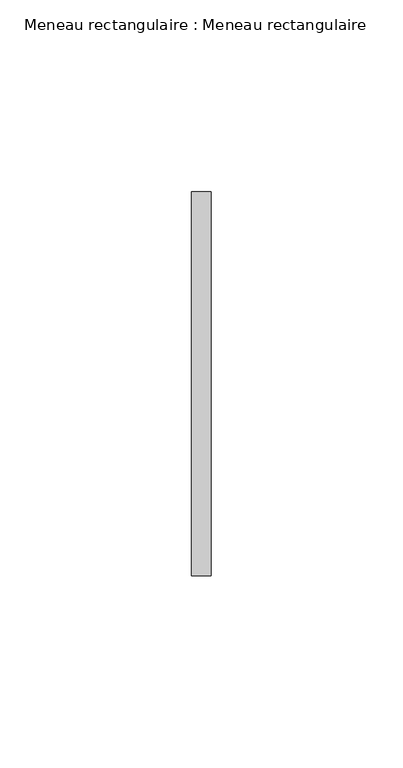
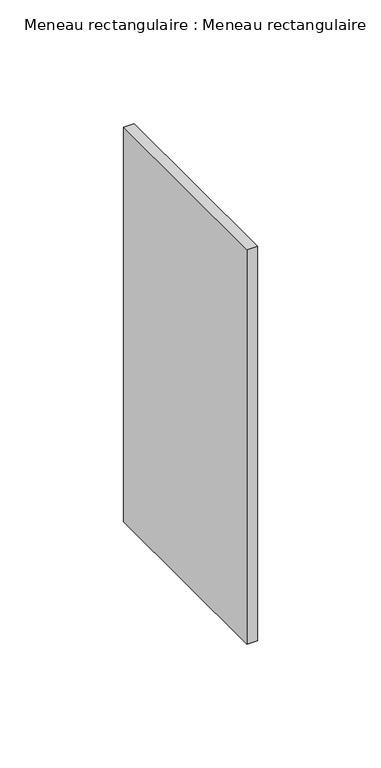
"""IFC4 building model written with IfcOpenShell, lengths in millimetres: member geometry, Meneau rectangulaire : Meneau rectangulaire."""

import ifcopenshell
import ifcopenshell.guid

model = None  # the IFC model being written
_history = None  # IfcOwnerHistory: only IFC2X3 demands one
_inside = {}  # id of a spatial element -> (the spatial element, [elements in it])
_under = {}  # id of a project, library or spatial element -> (it, [spatial elements below it])
_declared = {}  # id of a project -> (the project, [libraries it declares])
_typed = {}  # id of a type object -> (the type object, [elements of that type])
_made_of = {}  # id of a material, layer set ... -> (it, [elements and type objects made of it])


def new_model(schema):
    """Start an empty IFC model of exactly this schema.

    Asked for "IFC4X3", IfcOpenShell would pick the latest addendum, in which some entities
    have other attributes; the version numbers below select the first issue.
    IFC2X3 requires an IfcOwnerHistory on every rooted entity: one is made here for all.
    """
    global model, _history
    if schema == "IFC4X3":
        model = ifcopenshell.file(schema_version=(4, 3, 0, 0))
    else:
        model = ifcopenshell.file(schema=schema)
    _inside.clear()
    _under.clear()
    _declared.clear()
    _typed.clear()
    _made_of.clear()
    _history = None
    if model.schema == "IFC2X3":
        org = make("IfcOrganization", Name="unknown")
        user = make(
            "IfcPersonAndOrganization",
            ThePerson=make("IfcPerson", FamilyName="unknown"),
            TheOrganization=org,
        )
        app = make(
            "IfcApplication",
            ApplicationDeveloper=org,
            Version="unknown",
            ApplicationFullName="unknown",
            ApplicationIdentifier="unknown",
        )
        _history = make(
            "IfcOwnerHistory",
            OwningUser=user,
            OwningApplication=app,
            ChangeAction="ADDED",
            CreationDate=0,
        )
    return model


def make(cls, **values):
    """One entity of the class cls with the attributes given. An attribute that is None is left unset."""
    return model.create_entity(
        cls, **{name: value for name, value in values.items() if value is not None}
    )


def rooted(cls, **values):
    """An entity with a GlobalId (a new one), such as an element, a storey or a relation."""
    return make(cls, GlobalId=ifcopenshell.guid.new(), OwnerHistory=_history, **values)


def si_unit(unit_type, name, prefix=None):
    """IfcSIUnit, for example si_unit("LENGTHUNIT", "METRE", prefix="MILLI")."""
    return make("IfcSIUnit", UnitType=unit_type, Prefix=prefix, Name=name)


def assignment(units):
    """IfcUnitAssignment: the units of a project."""
    return None if units is None else make("IfcUnitAssignment", Units=units)


def point(xyz):
    """IfcCartesianPoint."""
    return None if xyz is None else make("IfcCartesianPoint", Coordinates=xyz)


def direction(xyz):
    """IfcDirection."""
    return None if xyz is None else make("IfcDirection", DirectionRatios=xyz)


def frame(location, z_axis=None, x_axis=None):
    """IfcAxis2Placement3D, a coordinate frame: its origin and axes. An axis left out is left unset."""
    return make(
        "IfcAxis2Placement3D",
        Location=point(location),
        Axis=direction(z_axis),
        RefDirection=direction(x_axis),
    )


def origin():
    """The frame at (0, 0, 0) with its axes left unset."""
    return frame((0.0, 0.0, 0.0))


def place(relative_to, where):
    """IfcLocalPlacement: puts the frame where relative to a parent placement (None: the world)."""
    return make(
        "IfcLocalPlacement", PlacementRelTo=relative_to, RelativePlacement=where
    )


def context(
    kind, dimensions, precision=None, world=None, true_north=None, identifier=None
):
    """IfcGeometricRepresentationContext, for example the 3D "Model" context."""
    return make(
        "IfcGeometricRepresentationContext",
        ContextIdentifier=identifier,
        ContextType=kind,
        CoordinateSpaceDimension=dimensions,
        Precision=precision,
        WorldCoordinateSystem=world,
        TrueNorth=true_north,
    )


def project(units=None, contexts=None):
    """IfcProject with its units and contexts."""
    return rooted(
        "IfcProject",
        Name="project",
        RepresentationContexts=contexts,
        UnitsInContext=assignment(units),
    )


def spatial(cls, under=None, at=None, **own):
    """A site, building, storey or space (cls), placed at a placement, below another one or the project."""
    s = rooted(cls, ObjectPlacement=at, **own)
    if under is not None:
        _under.setdefault(under.id(), (under, []))[1].append(s)
    return s


def polyline(points):
    """IfcPolyline through the points."""
    return make("IfcPolyline", Points=[point(p) for p in points])


def outline(outer, holes=None, kind="AREA"):
    """IfcArbitraryClosedProfileDef: a profile drawn as a closed curve; with holes, ...WithVoids."""
    if holes is None:
        return make("IfcArbitraryClosedProfileDef", ProfileType=kind, OuterCurve=outer)
    return make(
        "IfcArbitraryProfileDefWithVoids",
        ProfileType=kind,
        OuterCurve=outer,
        InnerCurves=holes,
    )


def extrude(swept, where, along, depth):
    """IfcExtrudedAreaSolid: the profile swept, set in the frame where, extruded along a direction by depth."""
    return make(
        "IfcExtrudedAreaSolid",
        SweptArea=swept,
        Position=where,
        ExtrudedDirection=direction(along),
        Depth=depth,
    )


def shape(context_of_items, identifier, shape_type, items):
    """IfcShapeRepresentation: the items that make up one representation, for example the "Body"."""
    return make(
        "IfcShapeRepresentation",
        ContextOfItems=context_of_items,
        RepresentationIdentifier=identifier,
        RepresentationType=shape_type,
        Items=items,
    )


def source(mapping_origin, context_of_items, identifier, shape_type, items):
    """IfcRepresentationMap: a shape defined once, which mapped items show again and again."""
    return make(
        "IfcRepresentationMap",
        MappingOrigin=mapping_origin,
        MappedRepresentation=shape(context_of_items, identifier, shape_type, items),
    )


def transform(
    local_origin,
    x_axis=None,
    y_axis=None,
    z_axis=None,
    scale=None,
    scale2=None,
    scale3=None,
    uniform=True,
):
    """IfcCartesianTransformationOperator3D, or its non-uniform kind. x_axis, y_axis, z_axis: its Axis1, 2, 3."""
    if uniform:
        return make(
            "IfcCartesianTransformationOperator3D",
            Axis1=direction(x_axis),
            Axis2=direction(y_axis),
            LocalOrigin=point(local_origin),
            Scale=scale,
            Axis3=direction(z_axis),
        )
    return make(
        "IfcCartesianTransformationOperator3DnonUniform",
        Axis1=direction(x_axis),
        Axis2=direction(y_axis),
        LocalOrigin=point(local_origin),
        Scale=scale,
        Axis3=direction(z_axis),
        Scale2=scale2,
        Scale3=scale3,
    )


def mapped(mapping_source, mapping_target):
    """IfcMappedItem: shows the shape of a source again, moved by a transform."""
    return make(
        "IfcMappedItem", MappingSource=mapping_source, MappingTarget=mapping_target
    )


def made_of(thing, what):
    """Note that an element or type object is made of a material, layer set ...; save() writes the relation."""
    if what is not None:
        _made_of.setdefault(what.id(), (what, []))[1].append(thing)
    return thing


def element(
    cls,
    number,
    at=None,
    inside=None,
    cuts=None,
    type_object=None,
    material=None,
    context=None,
    identifier="Body",
    shape_type=None,
    held_by="IfcProductDefinitionShape",
    body=None,
    shapes=None,
    **own,
):
    """One element of the class cls, such as IfcWall. Its Tag is "e" and its number.

    at: its placement. inside: the storey or other place that contains it. cuts: it is an
    opening in that element (IfcRelVoidsElement). A single representation is given by context,
    identifier, shape_type and body (its items); several are given by shapes. held_by: the class
    of the entity that holds the representations. save() writes the other relations.
    """
    e = rooted(cls, Tag="e%d" % number, ObjectPlacement=at, **own)
    if body is not None:
        shapes = [shape(context, identifier, shape_type, body)]
    if shapes is not None:
        e.Representation = make(held_by, Representations=shapes)
    if inside is not None:
        _inside.setdefault(inside.id(), (inside, []))[1].append(e)
    if cuts is not None:
        rooted(
            "IfcRelVoidsElement", RelatingBuildingElement=cuts, RelatedOpeningElement=e
        )
    if type_object is not None:
        _typed.setdefault(type_object.id(), (type_object, []))[1].append(e)
    return made_of(e, material)


def aggregate(whole, parts):
    """IfcRelAggregates: a whole, such as a stair, and the parts it consists of."""
    return rooted("IfcRelAggregates", RelatingObject=whole, RelatedObjects=parts)


def save(model, path):
    """Write the relations noted so far, then the file.

    IfcRelAggregates (storeys below a building ...), IfcRelContainedInSpatialStructure (elements
    in a storey), IfcRelDefinesByType, IfcRelAssociatesMaterial and IfcRelDeclares: one each for
    every whole, place, type object, material and project.
    """
    for whole, parts in _under.values():
        aggregate(whole, parts)
    for where, things in _inside.values():
        rooted(
            "IfcRelContainedInSpatialStructure",
            RelatedElements=things,
            RelatingStructure=where,
        )
    for kind, things in _typed.values():
        rooted("IfcRelDefinesByType", RelatedObjects=things, RelatingType=kind)
    for what, things in _made_of.values():
        rooted("IfcRelAssociatesMaterial", RelatedObjects=things, RelatingMaterial=what)
    for by, libraries in _declared.values():
        rooted("IfcRelDeclares", RelatingContext=by, RelatedDefinitions=libraries)
    model.write(path)


def meneau_rectangulaire_meneau_rectangulaire_21570fdd(model_context):
    return source(origin(), model_context, "Body", "SweptSolid", [
        extrude(outline(polyline([(2.5, 0.0), (-2.5, 0.0), (-2.5, 100.0), (2.5, 100.0), (2.5, 0.0)])), frame((0.0, 0.0, -195.0), z_axis=(0.0, 0.0, 1.0), x_axis=(1.0, 0.0, 0.0)), (0.0, 0.0, 1.0), 195.0),
    ])


if __name__ == "__main__":
    model = new_model("IFC4")
    model_context = context("Model", 3, world=origin())
    ifc_project = project(units=[si_unit("LENGTHUNIT", "METRE", prefix="MILLI")], contexts=[model_context])
    site = spatial("IfcSite", under=ifc_project)
    building = spatial("IfcBuilding", under=site)
    placement = place(None, origin())
    meneau_rectangulaire_meneau_rectangulaire_shape = meneau_rectangulaire_meneau_rectangulaire_21570fdd(model_context)
    element("IfcMember", 1, ObjectType="Meneau rectangulaire : Meneau rectangulaire", at=placement, inside=building, context=model_context, shape_type="MappedRepresentation", body=[
        mapped(meneau_rectangulaire_meneau_rectangulaire_shape, transform((0.0, 0.0, 0.0), x_axis=(1.0, 0.0, 0.0), y_axis=(0.0, 1.0, 0.0), z_axis=(0.0, 0.0, 1.0))),
    ])
    save(model, "model.ifc")
